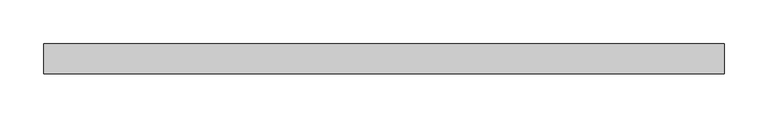
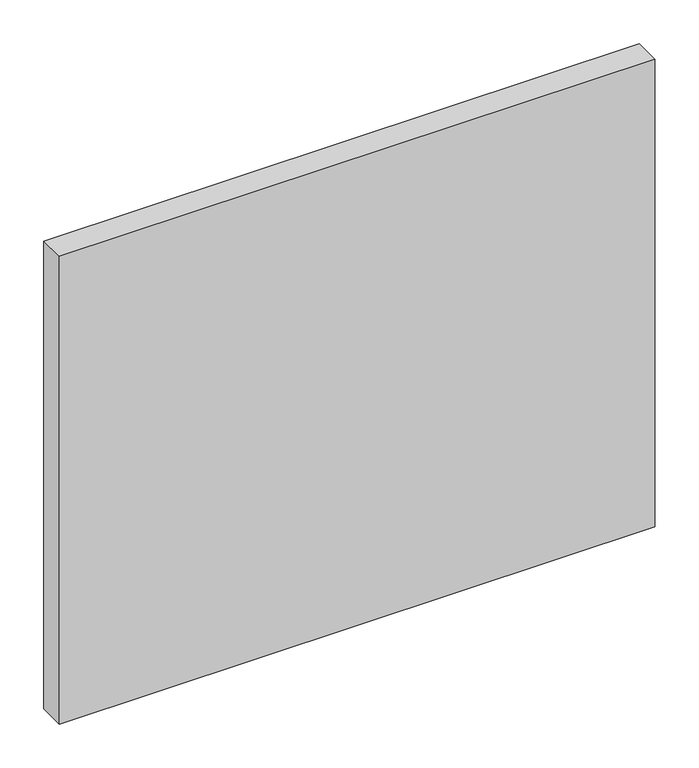
"""IFC4 building model written with IfcOpenShell, lengths in millimetres: plate geometry."""

from ifc_helpers import new_model, si_unit, origin, origin_with_axes, place, context, project, spatial, polyline, outline, extrude, source, transform, mapped, element, save


def plate_4f57529c(model_context):
    return source(origin(), model_context, "Body", "SweptSolid", [
        extrude(outline(polyline([(391.3125, -17.5), (-391.3125, -17.5), (-391.3125, 17.5), (391.3125, 17.5), (391.3125, -17.5)])), origin_with_axes(), (0.0, 0.0, 1.0), 650.125),
    ])


if __name__ == "__main__":
    model = new_model("IFC4")
    model_context = context("Model", 3, world=origin())
    ifc_project = project(units=[si_unit("LENGTHUNIT", "METRE", prefix="MILLI")], contexts=[model_context])
    site = spatial("IfcSite", under=ifc_project)
    building = spatial("IfcBuilding", under=site)
    placement = place(None, origin())
    plate_shape = plate_4f57529c(model_context)
    element("IfcPlate", 1, at=placement, inside=building, context=model_context, shape_type="MappedRepresentation", body=[
        mapped(plate_shape, transform((0.0, 0.0, 0.0), x_axis=(1.0, 0.0, 0.0), y_axis=(0.0, 1.0, 0.0), z_axis=(0.0, 0.0, 1.0))),
    ])
    save(model, "model.ifc")
